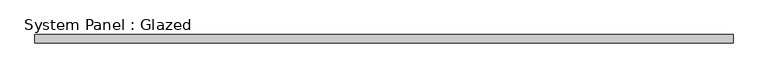
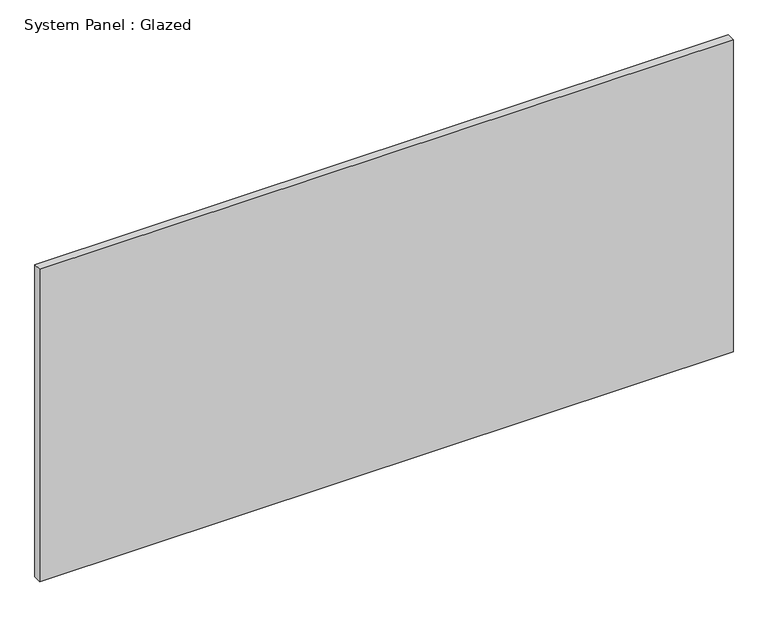
"""IFC4 building model written with IfcOpenShell, lengths in millimetres: plate geometry, System Panel : Glazed."""

import ifcopenshell
import ifcopenshell.guid

model = None  # the IFC model being written
_history = None  # IfcOwnerHistory: only IFC2X3 demands one
_inside = {}  # id of a spatial element -> (the spatial element, [elements in it])
_under = {}  # id of a project, library or spatial element -> (it, [spatial elements below it])
_declared = {}  # id of a project -> (the project, [libraries it declares])
_typed = {}  # id of a type object -> (the type object, [elements of that type])
_made_of = {}  # id of a material, layer set ... -> (it, [elements and type objects made of it])


def new_model(schema):
    """Start an empty IFC model of exactly this schema.

    Asked for "IFC4X3", IfcOpenShell would pick the latest addendum, in which some entities
    have other attributes; the version numbers below select the first issue.
    IFC2X3 requires an IfcOwnerHistory on every rooted entity: one is made here for all.
    """
    global model, _history
    if schema == "IFC4X3":
        model = ifcopenshell.file(schema_version=(4, 3, 0, 0))
    else:
        model = ifcopenshell.file(schema=schema)
    _inside.clear()
    _under.clear()
    _declared.clear()
    _typed.clear()
    _made_of.clear()
    _history = None
    if model.schema == "IFC2X3":
        org = make("IfcOrganization", Name="unknown")
        user = make(
            "IfcPersonAndOrganization",
            ThePerson=make("IfcPerson", FamilyName="unknown"),
            TheOrganization=org,
        )
        app = make(
            "IfcApplication",
            ApplicationDeveloper=org,
            Version="unknown",
            ApplicationFullName="unknown",
            ApplicationIdentifier="unknown",
        )
        _history = make(
            "IfcOwnerHistory",
            OwningUser=user,
            OwningApplication=app,
            ChangeAction="ADDED",
            CreationDate=0,
        )
    return model


def make(cls, **values):
    """One entity of the class cls with the attributes given. An attribute that is None is left unset."""
    return model.create_entity(
        cls, **{name: value for name, value in values.items() if value is not None}
    )


def rooted(cls, **values):
    """An entity with a GlobalId (a new one), such as an element, a storey or a relation."""
    return make(cls, GlobalId=ifcopenshell.guid.new(), OwnerHistory=_history, **values)


def si_unit(unit_type, name, prefix=None):
    """IfcSIUnit, for example si_unit("LENGTHUNIT", "METRE", prefix="MILLI")."""
    return make("IfcSIUnit", UnitType=unit_type, Prefix=prefix, Name=name)


def assignment(units):
    """IfcUnitAssignment: the units of a project."""
    return None if units is None else make("IfcUnitAssignment", Units=units)


def point(xyz):
    """IfcCartesianPoint."""
    return None if xyz is None else make("IfcCartesianPoint", Coordinates=xyz)


def direction(xyz):
    """IfcDirection."""
    return None if xyz is None else make("IfcDirection", DirectionRatios=xyz)


def frame(location, z_axis=None, x_axis=None):
    """IfcAxis2Placement3D, a coordinate frame: its origin and axes. An axis left out is left unset."""
    return make(
        "IfcAxis2Placement3D",
        Location=point(location),
        Axis=direction(z_axis),
        RefDirection=direction(x_axis),
    )


def origin():
    """The frame at (0, 0, 0) with its axes left unset."""
    return frame((0.0, 0.0, 0.0))


def origin_with_axes():
    """The frame at (0, 0, 0) with the z axis (0, 0, 1) and the x axis (1, 0, 0) written out."""
    return frame((0.0, 0.0, 0.0), z_axis=(0.0, 0.0, 1.0), x_axis=(1.0, 0.0, 0.0))


def place(relative_to, where):
    """IfcLocalPlacement: puts the frame where relative to a parent placement (None: the world)."""
    return make(
        "IfcLocalPlacement", PlacementRelTo=relative_to, RelativePlacement=where
    )


def context(
    kind, dimensions, precision=None, world=None, true_north=None, identifier=None
):
    """IfcGeometricRepresentationContext, for example the 3D "Model" context."""
    return make(
        "IfcGeometricRepresentationContext",
        ContextIdentifier=identifier,
        ContextType=kind,
        CoordinateSpaceDimension=dimensions,
        Precision=precision,
        WorldCoordinateSystem=world,
        TrueNorth=true_north,
    )


def project(units=None, contexts=None):
    """IfcProject with its units and contexts."""
    return rooted(
        "IfcProject",
        Name="project",
        RepresentationContexts=contexts,
        UnitsInContext=assignment(units),
    )


def spatial(cls, under=None, at=None, **own):
    """A site, building, storey or space (cls), placed at a placement, below another one or the project."""
    s = rooted(cls, ObjectPlacement=at, **own)
    if under is not None:
        _under.setdefault(under.id(), (under, []))[1].append(s)
    return s


def polyline(points):
    """IfcPolyline through the points."""
    return make("IfcPolyline", Points=[point(p) for p in points])


def outline(outer, holes=None, kind="AREA"):
    """IfcArbitraryClosedProfileDef: a profile drawn as a closed curve; with holes, ...WithVoids."""
    if holes is None:
        return make("IfcArbitraryClosedProfileDef", ProfileType=kind, OuterCurve=outer)
    return make(
        "IfcArbitraryProfileDefWithVoids",
        ProfileType=kind,
        OuterCurve=outer,
        InnerCurves=holes,
    )


def extrude(swept, where, along, depth):
    """IfcExtrudedAreaSolid: the profile swept, set in the frame where, extruded along a direction by depth."""
    return make(
        "IfcExtrudedAreaSolid",
        SweptArea=swept,
        Position=where,
        ExtrudedDirection=direction(along),
        Depth=depth,
    )


def shape(context_of_items, identifier, shape_type, items):
    """IfcShapeRepresentation: the items that make up one representation, for example the "Body"."""
    return make(
        "IfcShapeRepresentation",
        ContextOfItems=context_of_items,
        RepresentationIdentifier=identifier,
        RepresentationType=shape_type,
        Items=items,
    )


def source(mapping_origin, context_of_items, identifier, shape_type, items):
    """IfcRepresentationMap: a shape defined once, which mapped items show again and again."""
    return make(
        "IfcRepresentationMap",
        MappingOrigin=mapping_origin,
        MappedRepresentation=shape(context_of_items, identifier, shape_type, items),
    )


def transform(
    local_origin,
    x_axis=None,
    y_axis=None,
    z_axis=None,
    scale=None,
    scale2=None,
    scale3=None,
    uniform=True,
):
    """IfcCartesianTransformationOperator3D, or its non-uniform kind. x_axis, y_axis, z_axis: its Axis1, 2, 3."""
    if uniform:
        return make(
            "IfcCartesianTransformationOperator3D",
            Axis1=direction(x_axis),
            Axis2=direction(y_axis),
            LocalOrigin=point(local_origin),
            Scale=scale,
            Axis3=direction(z_axis),
        )
    return make(
        "IfcCartesianTransformationOperator3DnonUniform",
        Axis1=direction(x_axis),
        Axis2=direction(y_axis),
        LocalOrigin=point(local_origin),
        Scale=scale,
        Axis3=direction(z_axis),
        Scale2=scale2,
        Scale3=scale3,
    )


def mapped(mapping_source, mapping_target):
    """IfcMappedItem: shows the shape of a source again, moved by a transform."""
    return make(
        "IfcMappedItem", MappingSource=mapping_source, MappingTarget=mapping_target
    )


def made_of(thing, what):
    """Note that an element or type object is made of a material, layer set ...; save() writes the relation."""
    if what is not None:
        _made_of.setdefault(what.id(), (what, []))[1].append(thing)
    return thing


def element(
    cls,
    number,
    at=None,
    inside=None,
    cuts=None,
    type_object=None,
    material=None,
    context=None,
    identifier="Body",
    shape_type=None,
    held_by="IfcProductDefinitionShape",
    body=None,
    shapes=None,
    **own,
):
    """One element of the class cls, such as IfcWall. Its Tag is "e" and its number.

    at: its placement. inside: the storey or other place that contains it. cuts: it is an
    opening in that element (IfcRelVoidsElement). A single representation is given by context,
    identifier, shape_type and body (its items); several are given by shapes. held_by: the class
    of the entity that holds the representations. save() writes the other relations.
    """
    e = rooted(cls, Tag="e%d" % number, ObjectPlacement=at, **own)
    if body is not None:
        shapes = [shape(context, identifier, shape_type, body)]
    if shapes is not None:
        e.Representation = make(held_by, Representations=shapes)
    if inside is not None:
        _inside.setdefault(inside.id(), (inside, []))[1].append(e)
    if cuts is not None:
        rooted(
            "IfcRelVoidsElement", RelatingBuildingElement=cuts, RelatedOpeningElement=e
        )
    if type_object is not None:
        _typed.setdefault(type_object.id(), (type_object, []))[1].append(e)
    return made_of(e, material)


def aggregate(whole, parts):
    """IfcRelAggregates: a whole, such as a stair, and the parts it consists of."""
    return rooted("IfcRelAggregates", RelatingObject=whole, RelatedObjects=parts)


def save(model, path):
    """Write the relations noted so far, then the file.

    IfcRelAggregates (storeys below a building ...), IfcRelContainedInSpatialStructure (elements
    in a storey), IfcRelDefinesByType, IfcRelAssociatesMaterial and IfcRelDeclares: one each for
    every whole, place, type object, material and project.
    """
    for whole, parts in _under.values():
        aggregate(whole, parts)
    for where, things in _inside.values():
        rooted(
            "IfcRelContainedInSpatialStructure",
            RelatedElements=things,
            RelatingStructure=where,
        )
    for kind, things in _typed.values():
        rooted("IfcRelDefinesByType", RelatedObjects=things, RelatingType=kind)
    for what, things in _made_of.values():
        rooted("IfcRelAssociatesMaterial", RelatedObjects=things, RelatingMaterial=what)
    for by, libraries in _declared.values():
        rooted("IfcRelDeclares", RelatingContext=by, RelatedDefinitions=libraries)
    model.write(path)


def system_panel_glazed_10a7b900(model_context):
    return source(origin(), model_context, "Body", "SweptSolid", [
        extrude(outline(polyline([(1050.0, 24.5), (-1050.0, 24.5), (-1050.0, 49.5), (1050.0, 49.5), (1050.0, 24.5)])), origin_with_axes(), (0.0, 0.0, 1.0), 1000.0),
    ])


if __name__ == "__main__":
    model = new_model("IFC4")
    model_context = context("Model", 3, world=origin())
    ifc_project = project(units=[si_unit("LENGTHUNIT", "METRE", prefix="MILLI")], contexts=[model_context])
    site = spatial("IfcSite", under=ifc_project)
    building = spatial("IfcBuilding", under=site)
    placement = place(None, origin())
    system_panel_glazed_shape = system_panel_glazed_10a7b900(model_context)
    element("IfcPlate", 1, ObjectType="System Panel : Glazed", at=placement, inside=building, context=model_context, shape_type="MappedRepresentation", body=[
        mapped(system_panel_glazed_shape, transform((0.0, 0.0, 0.0), x_axis=(1.0, 0.0, 0.0), y_axis=(0.0, 1.0, 0.0), z_axis=(0.0, 0.0, 1.0))),
    ])
    save(model, "model.ifc")
